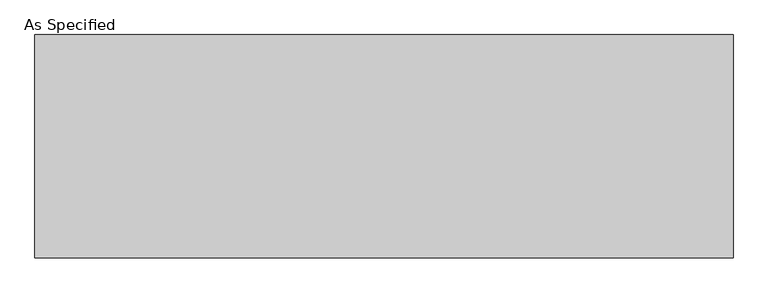
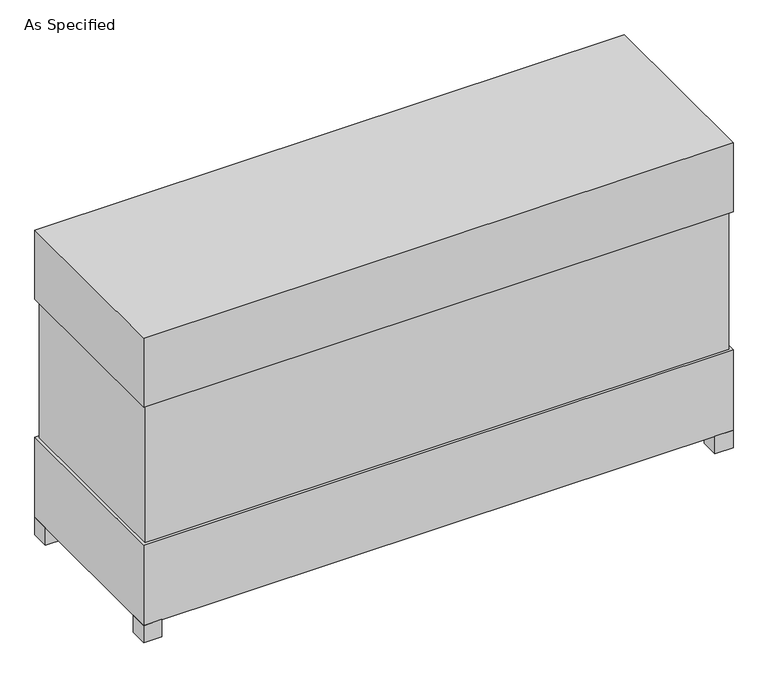
"""IFC4 building model written with IfcOpenShell, lengths in millimetres: proxy geometry, As Specified."""

from ifc_helpers import new_model, si_unit, frame, origin, origin_with_axes, place, context, project, spatial, polyline, outline, extrude, source, transform, mapped, element, save


def as_specified_42c762be(model_context):
    return source(origin(), model_context, "Body", "SweptSolid", [
        extrude(outline(polyline([(1220.7875, 382.5875), (1220.7875, -382.5875), (-1220.7875, -382.5875), (-1220.7875, 382.5875), (1220.7875, 382.5875)])), frame((0.0, 0.0, 431.8), z_axis=(0.0, 0.0, 1.0), x_axis=(1.0, 0.0, 0.0)), (0.0, 0.0, 1.0), 609.6),
        extrude(outline(polyline([(1231.9, 393.7), (1231.9, -393.7), (-1231.9, -393.7), (-1231.9, 393.7), (1231.9, 393.7)])), frame((0.0, 0.0, 1041.4), z_axis=(0.0, 0.0, 1.0), x_axis=(1.0, 0.0, 0.0)), (0.0, 0.0, 1.0), 304.8),
        extrude(outline(polyline([(1117.6, 228.6), (1117.6, 152.4), (1041.4, 152.4), (1041.4, 228.6), (1117.6, 228.6)])), frame((0.0, 0.0, 50.8), z_axis=(0.0, 0.0, 1.0), x_axis=(1.0, 0.0, 0.0)), (0.0, 0.0, 1.0), 25.4),
        extrude(outline(polyline([(1117.6, -228.6), (1041.4, -228.6), (1041.4, -152.4), (1117.6, -152.4), (1117.6, -228.6)])), frame((0.0, 0.0, 50.8), z_axis=(0.0, 0.0, 1.0), x_axis=(1.0, 0.0, 0.0)), (0.0, 0.0, 1.0), 25.4),
        extrude(outline(polyline([(-1155.7, 393.7), (-1155.7, 317.5), (-1231.9, 317.5), (-1231.9, 393.7), (-1155.7, 393.7)])), origin_with_axes(), (0.0, 0.0, 1.0), 76.2),
        extrude(outline(polyline([(1231.9, 393.7), (1231.9, 317.5), (1155.7, 317.5), (1155.7, 393.7), (1231.9, 393.7)])), origin_with_axes(), (0.0, 0.0, 1.0), 76.2),
        extrude(outline(polyline([(1231.9, -317.5), (1231.9, -393.7), (1155.7, -393.7), (1155.7, -317.5), (1231.9, -317.5)])), origin_with_axes(), (0.0, 0.0, 1.0), 76.2),
        extrude(outline(polyline([(-1155.7, -317.5), (-1155.7, -393.7), (-1231.9, -393.7), (-1231.9, -317.5), (-1155.7, -317.5)])), origin_with_axes(), (0.0, 0.0, 1.0), 76.2),
        extrude(outline(polyline([(1231.9, 393.7), (1231.9, -393.7), (-1231.9, -393.7), (-1231.9, 393.7), (1231.9, 393.7)])), frame((0.0, 0.0, 76.2), z_axis=(0.0, 0.0, 1.0), x_axis=(1.0, 0.0, 0.0)), (0.0, 0.0, 1.0), 355.6),
    ])


if __name__ == "__main__":
    model = new_model("IFC4")
    model_context = context("Model", 3, world=origin())
    ifc_project = project(units=[si_unit("LENGTHUNIT", "METRE", prefix="MILLI")], contexts=[model_context])
    site = spatial("IfcSite", under=ifc_project)
    building = spatial("IfcBuilding", under=site)
    placement = place(None, origin())
    as_specified_shape = as_specified_42c762be(model_context)
    element("IfcBuildingElementProxy", 1, Name="As Specified", ObjectType="As Specified", at=placement, inside=building, context=model_context, shape_type="MappedRepresentation", body=[
        mapped(as_specified_shape, transform((0.0, 0.0, 0.0), x_axis=(1.0, 0.0, 0.0), y_axis=(0.0, 1.0, 0.0), z_axis=(0.0, 0.0, 1.0))),
    ])
    save(model, "model.ifc")
